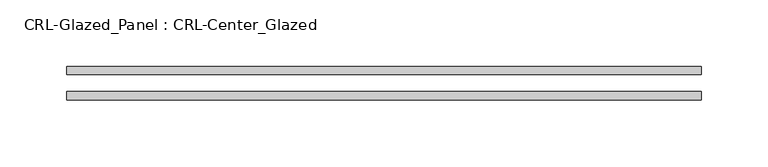
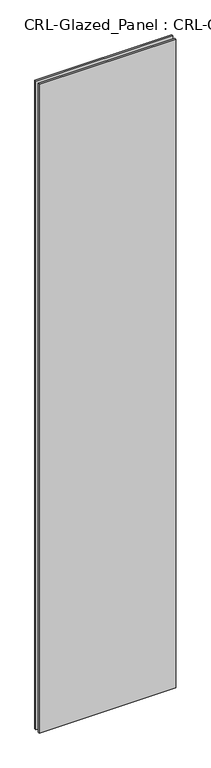
"""IFC4 building model written with IfcOpenShell, lengths in millimetres: plate geometry, CRL-Glazed_Panel : CRL-Center_Glazed."""

from ifc_helpers import new_model, si_unit, origin, origin_with_axes, place, context, project, spatial, polyline, outline, extrude, source, transform, mapped, element, save


def crl_glazed_panel_crl_center_glazed_f3a6fcf5(model_context):
    return source(origin(), model_context, "Body", "SweptSolid", [
        extrude(outline(polyline([(238.7115993, -12.7), (-238.7115993, -12.7), (-238.7115993, -6.35), (238.7115993, -6.35), (238.7115993, -12.7)])), origin_with_axes(), (0.0, 0.0, 1.0), 2396.6435008),
        extrude(outline(polyline([(-238.7115993, 6.35), (-238.7115993, 12.7), (238.7115993, 12.7), (238.7115993, 6.35), (-238.7115993, 6.35)])), origin_with_axes(), (0.0, 0.0, 1.0), 2396.6435008),
    ])


if __name__ == "__main__":
    model = new_model("IFC4")
    model_context = context("Model", 3, world=origin())
    ifc_project = project(units=[si_unit("LENGTHUNIT", "METRE", prefix="MILLI")], contexts=[model_context])
    site = spatial("IfcSite", under=ifc_project)
    building = spatial("IfcBuilding", under=site)
    placement = place(None, origin())
    crl_glazed_panel_crl_center_glazed_shape = crl_glazed_panel_crl_center_glazed_f3a6fcf5(model_context)
    element("IfcPlate", 1, ObjectType="CRL-Glazed_Panel : CRL-Center_Glazed", at=placement, inside=building, context=model_context, shape_type="MappedRepresentation", body=[
        mapped(crl_glazed_panel_crl_center_glazed_shape, transform((0.0, 0.0, 0.0), x_axis=(1.0, 0.0, 0.0), y_axis=(0.0, 1.0, 0.0), z_axis=(0.0, 0.0, 1.0))),
    ])
    save(model, "model.ifc")
